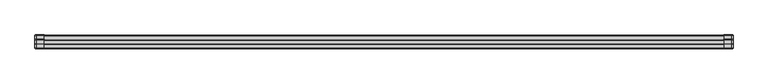
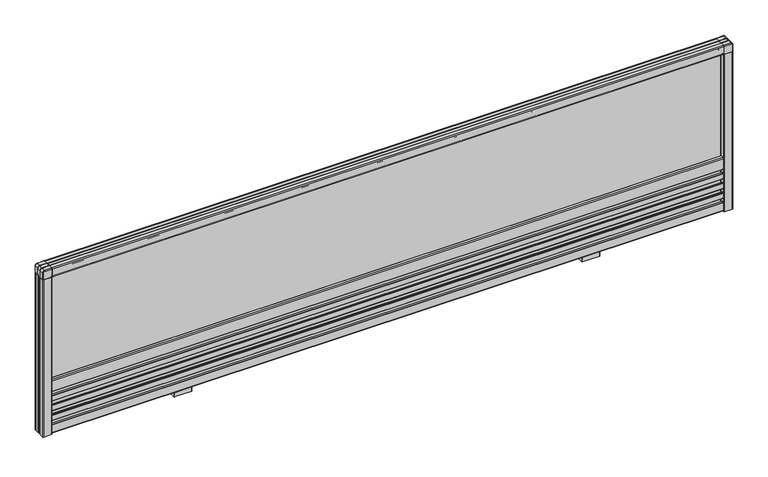
"""IFC4 building model written with IfcOpenShell, lengths in millimetres: furniture geometry."""

from ifc_helpers import new_model, si_unit, point, frame, frame_2d, origin, place, context, project, spatial, polyline, circle_curve, ellipse_curve, trimmed, segment, composite_curve, outline, extrude, source, transform, mapped, element, save
from ifc_brep_helpers import plane_surface, cylinder_surface, revolved_surface, extruded_surface, advanced_brep


def furniture_80a1519e(model_context):
    return source(origin(), model_context, "Body", "SolidModel", [
        extrude(outline(composite_curve([segment(polyline([(-3.25, 377.0), (-12.65, 377.0)]), True, "CONTINUOUS"), segment(trimmed(circle_curve(frame_2d((-12.65, 377.5)), 0.5), [point((-12.65, 377.0))], [point((-13.15, 377.5))], False, "CARTESIAN"), True, "CONTINUOUS"), segment(polyline([(-13.15, 377.5), (-13.15, 383.995804), (13.15, 383.995804), (13.15, 377.5)]), True, "CONTINUOUS"), segment(trimmed(circle_curve(frame_2d((12.65, 377.5)), 0.5), [point((13.15, 377.5))], [point((12.65, 377.0))], False, "CARTESIAN"), True, "CONTINUOUS"), segment(polyline([(12.65, 377.0), (3.25, 377.0)]), True, "CONTINUOUS"), segment(trimmed(circle_curve(frame_2d((3.25, 377.5)), 0.5), [point((3.25, 377.0))], [point((2.75, 377.5))], False, "CARTESIAN"), True, "CONTINUOUS"), segment(polyline([(2.75, 377.5), (2.75, 382.495804), (-2.75, 382.495804), (-2.75, 377.5)]), True, "CONTINUOUS"), segment(trimmed(circle_curve(frame_2d((-3.25, 377.5)), 0.5), [point((-2.75, 377.5))], [point((-3.25, 377.0))], False, "CARTESIAN"), True, "CONTINUOUS")], self_intersect=False)), frame((-741.0, 0.0, 0.0), z_axis=(1.0, 0.0, 0.0), x_axis=(0.0, 1.0, 0.0)), (0.0, 0.0, 1.0), 1482.0),
        extrude(outline(composite_curve([segment(trimmed(circle_curve(frame_2d((-13.0, 395.0)), 2.0), [point((-15.0, 395.0))], [point((-13.0, 397.0))], False, "CARTESIAN"), True, "CONTINUOUS"), segment(polyline([(-13.0, 397.0), (-5.2141428, 397.0)]), True, "CONTINUOUS"), segment(trimmed(circle_curve(frame_2d((-4.5, 397.7)), 1.0), [point((-5.2141428, 397.0))], [point((-3.7858572, 397.0))], True, "CARTESIAN"), True, "CONTINUOUS"), segment(polyline([(-3.7858572, 397.0), (3.7858572, 397.0)]), True, "CONTINUOUS"), segment(trimmed(circle_curve(frame_2d((4.5, 397.7)), 1.0), [point((3.7858572, 397.0))], [point((5.2141428, 397.0))], True, "CARTESIAN"), True, "CONTINUOUS"), segment(polyline([(5.2141428, 397.0), (13.0, 397.0)]), True, "CONTINUOUS"), segment(trimmed(circle_curve(frame_2d((13.0, 395.0)), 2.0), [point((13.0, 397.0))], [point((15.0, 395.0))], False, "CARTESIAN"), True, "CONTINUOUS"), segment(polyline([(15.0, 395.0), (15.0, 377.5)]), True, "CONTINUOUS"), segment(trimmed(circle_curve(frame_2d((14.5, 377.5)), 0.5), [point((15.0, 377.5))], [point((14.5, 377.0))], False, "CARTESIAN"), True, "CONTINUOUS"), segment(polyline([(14.5, 377.0), (13.15, 377.0), (13.15, 383.995804), (-13.15, 383.995804), (-13.15, 377.0), (-14.5, 377.0)]), True, "CONTINUOUS"), segment(trimmed(circle_curve(frame_2d((-14.5, 377.5)), 0.5), [point((-14.5, 377.0))], [point((-15.0, 377.5))], False, "CARTESIAN"), True, "CONTINUOUS"), segment(polyline([(-15.0, 377.5), (-15.0, 395.0)]), True, "CONTINUOUS")], self_intersect=False)), frame((-741.0, 0.0, 0.0), z_axis=(1.0, 0.0, 0.0), x_axis=(0.0, 1.0, 0.0)), (0.0, 0.0, 1.0), 1482.0),
        extrude(outline(composite_curve([segment(trimmed(circle_curve(frame_2d((-12.0, 30.0)), 1.0), [point((-13.0, 30.0))], [point((-12.0, 31.0))], False, "CARTESIAN"), True, "CONTINUOUS"), segment(polyline([(-12.0, 31.0), (-9.2004126, 31.0), (-9.2004126, 25.0), (-1.7500068, 25.0), (-1.7500068, 46.0), (-9.2004126, 46.0), (-9.2004126, 40.0), (-12.0, 40.0)]), True, "CONTINUOUS"), segment(trimmed(circle_curve(frame_2d((-12.0, 41.0)), 1.0), [point((-12.0, 40.0))], [point((-13.0, 41.0))], False, "CARTESIAN"), True, "CONTINUOUS"), segment(polyline([(-13.0, 41.0), (-13.0, 52.5)]), True, "CONTINUOUS"), segment(trimmed(circle_curve(frame_2d((-12.0, 52.5)), 1.0), [point((-13.0, 52.5))], [point((-12.0, 53.5))], False, "CARTESIAN"), True, "CONTINUOUS"), segment(polyline([(-12.0, 53.5), (-9.2004126, 53.5), (-9.2004126, 47.5), (-1.7500068, 47.5), (-1.7500068, 68.5), (-9.2004126, 68.5), (-9.2004126, 62.5), (-12.0, 62.5)]), True, "CONTINUOUS"), segment(trimmed(circle_curve(frame_2d((-12.0, 63.5)), 1.0), [point((-12.0, 62.5))], [point((-13.0, 63.5))], False, "CARTESIAN"), True, "CONTINUOUS"), segment(polyline([(-13.0, 63.5), (-13.0, 75.0)]), True, "CONTINUOUS"), segment(trimmed(circle_curve(frame_2d((-12.0, 75.0)), 1.0), [point((-13.0, 75.0))], [point((-12.0, 76.0))], False, "CARTESIAN"), True, "CONTINUOUS"), segment(polyline([(-12.0, 76.0), (-9.2004126, 76.0), (-9.2004126, 70.0), (-1.7500068, 70.0), (-1.7500068, 91.0), (-9.2004126, 91.0), (-9.2004126, 85.0), (-12.0, 85.0)]), True, "CONTINUOUS"), segment(trimmed(circle_curve(frame_2d((-12.0, 86.0)), 1.0), [point((-12.0, 85.0))], [point((-13.0, 86.0))], False, "CARTESIAN"), True, "CONTINUOUS"), segment(polyline([(-13.0, 86.0), (-13.0, 97.5)]), True, "CONTINUOUS"), segment(trimmed(circle_curve(frame_2d((-12.0, 97.5)), 1.0), [point((-13.0, 97.5))], [point((-12.0, 98.5))], False, "CARTESIAN"), True, "CONTINUOUS"), segment(polyline([(-12.0, 98.5), (-9.2004126, 98.5), (-9.2004126, 92.5), (-1.7500068, 92.5), (-1.7500068, 113.5), (-9.2004126, 113.5), (-9.2004126, 107.5), (-12.0, 107.5)]), True, "CONTINUOUS"), segment(trimmed(circle_curve(frame_2d((-12.0, 108.5)), 1.0), [point((-12.0, 107.5))], [point((-13.0, 108.5))], False, "CARTESIAN"), True, "CONTINUOUS"), segment(polyline([(-13.0, 108.5), (-13.0, 133.0)]), True, "CONTINUOUS"), segment(trimmed(circle_curve(frame_2d((-11.0, 133.0)), 2.0), [point((-13.0, 133.0))], [point((-11.0, 135.0))], False, "CARTESIAN"), True, "CONTINUOUS"), segment(polyline([(-11.0, 135.0), (-6.0, 135.0)]), True, "CONTINUOUS"), segment(trimmed(circle_curve(frame_2d((-6.0, 134.5)), 0.5), [point((-6.0, 135.0))], [point((-5.5, 134.5))], False, "CARTESIAN"), True, "CONTINUOUS"), segment(polyline([(-5.5, 134.5), (-5.5, 115.0), (0.0, 115.0), (5.5, 115.0), (5.5, 134.5)]), True, "CONTINUOUS"), segment(trimmed(circle_curve(frame_2d((6.0, 134.5)), 0.5), [point((5.5, 134.5))], [point((6.0, 135.0))], False, "CARTESIAN"), True, "CONTINUOUS"), segment(polyline([(6.0, 135.0), (11.0, 135.0)]), True, "CONTINUOUS"), segment(trimmed(circle_curve(frame_2d((11.0, 133.0)), 2.0), [point((11.0, 135.0))], [point((13.0, 133.0))], False, "CARTESIAN"), True, "CONTINUOUS"), segment(polyline([(13.0, 133.0), (13.0, 108.5)]), True, "CONTINUOUS"), segment(trimmed(circle_curve(frame_2d((12.0, 108.5)), 1.0), [point((13.0, 108.5))], [point((12.0, 107.5))], False, "CARTESIAN"), True, "CONTINUOUS"), segment(polyline([(12.0, 107.5), (9.2004126, 107.5), (9.2004126, 113.5), (1.7500068, 113.5), (1.7500068, 92.5), (9.2004126, 92.5), (9.2004126, 98.5), (12.0, 98.5)]), True, "CONTINUOUS"), segment(trimmed(circle_curve(frame_2d((12.0, 97.5)), 1.0), [point((12.0, 98.5))], [point((13.0, 97.5))], False, "CARTESIAN"), True, "CONTINUOUS"), segment(polyline([(13.0, 97.5), (13.0, 86.0)]), True, "CONTINUOUS"), segment(trimmed(circle_curve(frame_2d((12.0, 86.0)), 1.0), [point((13.0, 86.0))], [point((12.0, 85.0))], False, "CARTESIAN"), True, "CONTINUOUS"), segment(polyline([(12.0, 85.0), (9.2004126, 85.0), (9.2004126, 91.0), (1.7500068, 91.0), (1.7500068, 70.0), (9.2004126, 70.0), (9.2004126, 76.0), (12.0, 76.0)]), True, "CONTINUOUS"), segment(trimmed(circle_curve(frame_2d((12.0, 75.0)), 1.0), [point((12.0, 76.0))], [point((13.0, 75.0))], False, "CARTESIAN"), True, "CONTINUOUS"), segment(polyline([(13.0, 75.0), (13.0, 63.5)]), True, "CONTINUOUS"), segment(trimmed(circle_curve(frame_2d((12.0, 63.5)), 1.0), [point((13.0, 63.5))], [point((12.0, 62.5))], False, "CARTESIAN"), True, "CONTINUOUS"), segment(polyline([(12.0, 62.5), (9.2004126, 62.5), (9.2004126, 68.5), (1.7500068, 68.5), (1.7500068, 47.5), (9.2004126, 47.5), (9.2004126, 53.5), (12.0, 53.5)]), True, "CONTINUOUS"), segment(trimmed(circle_curve(frame_2d((12.0, 52.5)), 1.0), [point((12.0, 53.5))], [point((13.0, 52.5))], False, "CARTESIAN"), True, "CONTINUOUS"), segment(polyline([(13.0, 52.5), (13.0, 41.0)]), True, "CONTINUOUS"), segment(trimmed(circle_curve(frame_2d((12.0, 41.0)), 1.0), [point((13.0, 41.0))], [point((12.0, 40.0))], False, "CARTESIAN"), True, "CONTINUOUS"), segment(polyline([(12.0, 40.0), (9.2004126, 40.0), (9.2004126, 46.0), (1.7500068, 46.0), (1.7500068, 25.0), (9.2004126, 25.0), (9.2004126, 31.0), (12.0, 31.0)]), True, "CONTINUOUS"), segment(trimmed(circle_curve(frame_2d((12.0, 30.0)), 1.0), [point((12.0, 31.0))], [point((13.0, 30.0))], False, "CARTESIAN"), True, "CONTINUOUS"), segment(polyline([(13.0, 30.0), (13.0, 12.0)]), True, "CONTINUOUS"), segment(trimmed(circle_curve(frame_2d((11.0, 12.0)), 2.0), [point((13.0, 12.0))], [point((11.0, 10.0))], False, "CARTESIAN"), True, "CONTINUOUS"), segment(polyline([(11.0, 10.0), (0.0, 10.0), (-11.0, 10.0)]), True, "CONTINUOUS"), segment(trimmed(circle_curve(frame_2d((-11.0, 12.0)), 2.0), [point((-11.0, 10.0))], [point((-13.0, 12.0))], False, "CARTESIAN"), True, "CONTINUOUS"), segment(polyline([(-13.0, 12.0), (-13.0, 30.0)]), True, "CONTINUOUS")], self_intersect=False)), frame((-741.0, 0.0, 0.0), z_axis=(1.0, 0.0, 0.0), x_axis=(0.0, 1.0, 0.0)), (0.0, 0.0, 1.0), 1482.0),
        extrude(outline(composite_curve([segment(polyline([(741.5, 13.15), (748.0, 13.15), (748.0, -13.15), (741.5, -13.15)]), True, "CONTINUOUS"), segment(trimmed(circle_curve(frame_2d((741.5, -12.65)), 0.5), [point((741.5, -13.15))], [point((741.0, -12.65))], False, "CARTESIAN"), True, "CONTINUOUS"), segment(polyline([(741.0, -12.65), (741.0, -3.25)]), True, "CONTINUOUS"), segment(trimmed(circle_curve(frame_2d((741.5, -3.25)), 0.5), [point((741.0, -3.25))], [point((741.5, -2.75))], False, "CARTESIAN"), True, "CONTINUOUS"), segment(polyline([(741.5, -2.75), (746.5, -2.75), (746.5, 2.75), (741.5, 2.75)]), True, "CONTINUOUS"), segment(trimmed(circle_curve(frame_2d((741.5, 3.25)), 0.5), [point((741.5, 2.75))], [point((741.0, 3.25))], False, "CARTESIAN"), True, "CONTINUOUS"), segment(polyline([(741.0, 3.25), (741.0, 12.65)]), True, "CONTINUOUS"), segment(trimmed(circle_curve(frame_2d((741.5, 12.65)), 0.5), [point((741.0, 12.65))], [point((741.5, 13.15))], False, "CARTESIAN"), True, "CONTINUOUS")], self_intersect=False)), frame((0.0, 0.0, 10.0), z_axis=(0.0, 0.0, 1.0), x_axis=(1.0, 0.0, 0.0)), (0.0, 0.0, 1.0), 367.0),
        extrude(outline(composite_curve([segment(polyline([(761.0, 3.7858572), (761.0, 0.0), (761.0, -3.7858572)]), True, "CONTINUOUS"), segment(trimmed(circle_curve(frame_2d((761.7, -4.5)), 1.0), [point((761.0, -3.7858572))], [point((761.0, -5.2141428))], True, "CARTESIAN"), True, "CONTINUOUS"), segment(polyline([(761.0, -5.2141428), (761.0, -13.0)]), True, "CONTINUOUS"), segment(trimmed(circle_curve(frame_2d((759.0, -13.0)), 2.0), [point((761.0, -13.0))], [point((759.0, -15.0))], False, "CARTESIAN"), True, "CONTINUOUS"), segment(polyline([(759.0, -15.0), (741.5, -15.0)]), True, "CONTINUOUS"), segment(trimmed(circle_curve(frame_2d((741.5, -14.5)), 0.5), [point((741.5, -15.0))], [point((741.0, -14.5))], False, "CARTESIAN"), True, "CONTINUOUS"), segment(polyline([(741.0, -14.5), (741.0, -13.15), (748.0, -13.15), (748.0, 0.0), (748.0, 13.15), (741.0, 13.15), (741.0, 14.5)]), True, "CONTINUOUS"), segment(trimmed(circle_curve(frame_2d((741.5, 14.5)), 0.5), [point((741.0, 14.5))], [point((741.5, 15.0))], False, "CARTESIAN"), True, "CONTINUOUS"), segment(polyline([(741.5, 15.0), (759.0, 15.0)]), True, "CONTINUOUS"), segment(trimmed(circle_curve(frame_2d((759.0, 13.0)), 2.0), [point((759.0, 15.0))], [point((761.0, 13.0))], False, "CARTESIAN"), True, "CONTINUOUS"), segment(polyline([(761.0, 13.0), (761.0, 5.2141428)]), True, "CONTINUOUS"), segment(trimmed(circle_curve(frame_2d((761.7, 4.5)), 1.0), [point((761.0, 5.2141428))], [point((761.0, 3.7858572))], True, "CARTESIAN"), True, "CONTINUOUS")], self_intersect=False)), frame((0.0, 0.0, 10.0), z_axis=(0.0, 0.0, 1.0), x_axis=(1.0, 0.0, 0.0)), (0.0, 0.0, 1.0), 367.0),
        extrude(outline(composite_curve([segment(polyline([(-741.5, -13.15), (-748.0, -13.15), (-748.0, 13.15), (-741.5, 13.15)]), True, "CONTINUOUS"), segment(trimmed(circle_curve(frame_2d((-741.5, 12.65)), 0.5), [point((-741.5, 13.15))], [point((-741.0, 12.65))], False, "CARTESIAN"), True, "CONTINUOUS"), segment(polyline([(-741.0, 12.65), (-741.0, 3.25)]), True, "CONTINUOUS"), segment(trimmed(circle_curve(frame_2d((-741.5, 3.25)), 0.5), [point((-741.0, 3.25))], [point((-741.5, 2.75))], False, "CARTESIAN"), True, "CONTINUOUS"), segment(polyline([(-741.5, 2.75), (-746.5, 2.75), (-746.5, -2.75), (-741.5, -2.75)]), True, "CONTINUOUS"), segment(trimmed(circle_curve(frame_2d((-741.5, -3.25)), 0.5), [point((-741.5, -2.75))], [point((-741.0, -3.25))], False, "CARTESIAN"), True, "CONTINUOUS"), segment(polyline([(-741.0, -3.25), (-741.0, -12.65)]), True, "CONTINUOUS"), segment(trimmed(circle_curve(frame_2d((-741.5, -12.65)), 0.5), [point((-741.0, -12.65))], [point((-741.5, -13.15))], False, "CARTESIAN"), True, "CONTINUOUS")], self_intersect=False)), frame((0.0, 0.0, 10.0), z_axis=(0.0, 0.0, 1.0), x_axis=(1.0, 0.0, 0.0)), (0.0, 0.0, 1.0), 367.0),
        extrude(outline(composite_curve([segment(polyline([(-761.0, -3.7858572), (-761.0, 0.0), (-761.0, 3.7858572)]), True, "CONTINUOUS"), segment(trimmed(circle_curve(frame_2d((-761.7, 4.5)), 1.0), [point((-761.0, 3.7858572))], [point((-761.0, 5.2141428))], True, "CARTESIAN"), True, "CONTINUOUS"), segment(polyline([(-761.0, 5.2141428), (-761.0, 13.0)]), True, "CONTINUOUS"), segment(trimmed(circle_curve(frame_2d((-759.0, 13.0)), 2.0), [point((-761.0, 13.0))], [point((-759.0, 15.0))], False, "CARTESIAN"), True, "CONTINUOUS"), segment(polyline([(-759.0, 15.0), (-741.5, 15.0)]), True, "CONTINUOUS"), segment(trimmed(circle_curve(frame_2d((-741.5, 14.5)), 0.5), [point((-741.5, 15.0))], [point((-741.0, 14.5))], False, "CARTESIAN"), True, "CONTINUOUS"), segment(polyline([(-741.0, 14.5), (-741.0, 13.15), (-748.0, 13.15), (-748.0, 0.0), (-748.0, -13.15), (-741.0, -13.15), (-741.0, -14.5)]), True, "CONTINUOUS"), segment(trimmed(circle_curve(frame_2d((-741.5, -14.5)), 0.5), [point((-741.0, -14.5))], [point((-741.5, -15.0))], False, "CARTESIAN"), True, "CONTINUOUS"), segment(polyline([(-741.5, -15.0), (-759.0, -15.0)]), True, "CONTINUOUS"), segment(trimmed(circle_curve(frame_2d((-759.0, -13.0)), 2.0), [point((-759.0, -15.0))], [point((-761.0, -13.0))], False, "CARTESIAN"), True, "CONTINUOUS"), segment(polyline([(-761.0, -13.0), (-761.0, -5.2141428)]), True, "CONTINUOUS"), segment(trimmed(circle_curve(frame_2d((-761.7, -4.5)), 1.0), [point((-761.0, -5.2141428))], [point((-761.0, -3.7858572))], True, "CARTESIAN"), True, "CONTINUOUS")], self_intersect=False)), frame((0.0, 0.0, 10.0), z_axis=(0.0, 0.0, 1.0), x_axis=(1.0, 0.0, 0.0)), (0.0, 0.0, 1.0), 367.0),
        advanced_brep(
        [(759.25, -15.25, 377.0), (759.25, -15.25, 393.0), (757.0, -15.25, 395.25), (741.0, -15.25, 395.25), (741.0, -15.25, 377.0), (741.0, 15.25, 395.25), (757.0, 15.25, 395.25), (759.25, 15.25, 393.0), (759.25, 15.25, 377.0), (741.0, 15.25, 377.0), (741.0, 3.75, 397.25), (741.0, -3.75, 397.25), (757.0, -3.75, 397.25), (757.0, 3.75, 397.25), (741.0, -5.25, 397.25), (741.0, -13.25, 397.25), (757.0, -13.25, 397.25), (757.0, -5.25, 397.25), (757.0, 5.25, 397.25), (757.0, 13.25, 397.25), (741.0, 13.25, 397.25), (741.0, 5.25, 397.25), (761.25, -3.75, 393.0), (761.25, 3.75, 393.0), (761.25, -13.25, 393.0), (761.25, -5.25, 393.0), (761.25, 5.25, 393.0), (761.25, 13.25, 393.0), (761.25, -3.75, 377.0), (761.25, 3.75, 377.0), (761.25, -13.25, 377.0), (761.25, -5.25, 377.0), (761.25, 5.25, 377.0), (761.25, 13.25, 377.0)],
        [
            (0, 1),
            (1, 2, circle_curve(frame((757.0, -15.25, 393.0), z_axis=(0.0, -1.0, 0.0), x_axis=(1.0, 0.0, 0.0)), 2.25)),
            (2, 3),
            (3, 4),
            (4, 0),
            (5, 6),
            (6, 7, circle_curve(frame((757.0, 15.25, 393.0), z_axis=(0.0, 1.0, 0.0), x_axis=(1.0, 0.0, 0.0)), 2.25)),
            (7, 8),
            (8, 9),
            (9, 5),
            (10, 11),
            (11, 12),
            (12, 13),
            (13, 10),
            (14, 15),
            (15, 16),
            (16, 17),
            (17, 14),
            (18, 19),
            (19, 20),
            (20, 21),
            (21, 18),
            (12, 22, circle_curve(frame((757.0, -3.75, 393.0), z_axis=(0.0, 1.0, 0.0), x_axis=(-1.0, 0.0, 0.0)), 4.25)),
            (22, 23),
            (23, 13, circle_curve(frame((757.0, 3.75, 393.0), z_axis=(0.0, -1.0, 0.0), x_axis=(-1.0, 0.0, 0.0)), 4.25)),
            (16, 24, circle_curve(frame((757.0, -13.25, 393.0), z_axis=(0.0, 1.0, 0.0), x_axis=(-1.0, 0.0, 0.0)), 4.25)),
            (24, 25),
            (25, 17, circle_curve(frame((757.0, -5.25, 393.0), z_axis=(0.0, -1.0, 0.0), x_axis=(-1.0, 0.0, 0.0)), 4.25)),
            (26, 27),
            (27, 19, circle_curve(frame((757.0, 13.25, 393.0), z_axis=(0.0, -1.0, 0.0), x_axis=(-1.0, 0.0, 0.0)), 4.25)),
            (18, 26, circle_curve(frame((757.0, 5.25, 393.0), z_axis=(0.0, 1.0, 0.0), x_axis=(-1.0, 0.0, 0.0)), 4.25)),
            (22, 28),
            (28, 29),
            (29, 23),
            (24, 30),
            (30, 31),
            (31, 25),
            (32, 33),
            (33, 27),
            (26, 32),
            (8, 33, circle_curve(frame((759.25, 13.25, 377.0), z_axis=(0.0, 0.0, -1.0), x_axis=(0.0, -1.0, 0.0)), 2.0)),
            (32, 29, circle_curve(frame((761.9114378, 4.5, 377.0), z_axis=(0.0, 0.0, 1.0), x_axis=(0.0, 1.0, 0.0)), 1.0)),
            (28, 31, circle_curve(frame((761.9114378, -4.5, 377.0), z_axis=(0.0, 0.0, 1.0), x_axis=(0.0, 1.0, 0.0)), 1.0)),
            (30, 0, circle_curve(frame((759.25, -13.25, 377.0), z_axis=(0.0, 0.0, -1.0), x_axis=(0.0, 1.0, 0.0)), 2.0)),
            (4, 9),
            (3, 15, circle_curve(frame((741.0, -13.25, 395.25), z_axis=(-1.0, 0.0, 0.0), x_axis=(0.0, 1.0, 0.0)), 2.0)),
            (14, 11, circle_curve(frame((741.0, -4.5, 397.9114378), z_axis=(1.0, 0.0, 0.0), x_axis=(0.0, 1.0, 0.0)), 1.0)),
            (10, 21, circle_curve(frame((741.0, 4.5, 397.9114378), z_axis=(1.0, 0.0, 0.0), x_axis=(0.0, 1.0, 0.0)), 1.0)),
            (20, 5, circle_curve(frame((741.0, 13.25, 395.25), z_axis=(-1.0, 0.0, 0.0), x_axis=(0.0, -1.0, 0.0)), 2.0)),
            (26, 23, circle_curve(frame((761.9114378, 4.5, 393.0), z_axis=(0.0, 0.0, 1.0), x_axis=(0.0, 1.0, 0.0)), 1.0)),
            (18, 13, circle_curve(frame((757.0, 4.5, 397.9114378), z_axis=(-1.0, 0.0, 0.0), x_axis=(0.0, 1.0, 0.0)), 1.0)),
            (22, 25, circle_curve(frame((761.9114378, -4.5, 393.0), z_axis=(0.0, 0.0, 1.0), x_axis=(0.0, 1.0, 0.0)), 1.0)),
            (12, 17, circle_curve(frame((757.0, -4.5, 397.9114378), z_axis=(-1.0, 0.0, 0.0), x_axis=(0.0, 1.0, 0.0)), 1.0)),
            (24, 1, circle_curve(frame((759.25, -13.25, 393.0), z_axis=(0.0, 0.0, -1.0), x_axis=(0.0, 1.0, 0.0)), 2.0)),
            (16, 2, circle_curve(frame((757.0, -13.25, 395.25), z_axis=(1.0, 0.0, 0.0), x_axis=(0.0, 1.0, 0.0)), 2.0)),
            (7, 27, circle_curve(frame((759.25, 13.25, 393.0), z_axis=(0.0, 0.0, -1.0), x_axis=(0.0, -1.0, 0.0)), 2.0)),
            (6, 19, circle_curve(frame((757.0, 13.25, 395.25), z_axis=(1.0, 0.0, 0.0), x_axis=(0.0, -1.0, 0.0)), 2.0)),
        ],
        [
            plane_surface(frame((761.25, -15.25, 397.25), z_axis=(0.0, -1.0, 0.0), x_axis=(1.0, 0.0, 0.0))),
            plane_surface(frame((761.25, 15.25, 397.25), z_axis=(0.0, 1.0, 0.0), x_axis=(-1.0, 0.0, 0.0))),
            plane_surface(frame((741.0, -15.25, 397.25), z_axis=(0.0, 0.0, 1.0), x_axis=(0.0, 1.0, 0.0))),
            cylinder_surface(frame((757.0, 15.25, 393.0), z_axis=(0.0, -1.0, 0.0), x_axis=(-1.0, 0.0, 0.0)), 4.25),
            plane_surface(frame((761.25, -15.25, 393.0), z_axis=(1.0, 0.0, 0.0), x_axis=(0.0, 1.0, 0.0))),
            plane_surface(frame((761.25, -15.25, 377.0), z_axis=(0.0, 0.0, -1.0), x_axis=(0.0, 1.0, 0.0))),
            plane_surface(frame((741.0, -15.25, 377.0), z_axis=(-1.0, 0.0, 0.0), x_axis=(0.0, 1.0, 0.0))),
            revolved_surface(polyline([(761.9114378, 5.5, 377.0), (761.9114378, 5.5, 393.0)]), (761.9114378, 4.5, 377.0), (0.0, 0.0, -1.0)),
            revolved_surface(trimmed(ellipse_curve(frame((761.9114378, 4.5, 393.0), z_axis=(0.0, 0.0, -1.0), x_axis=(0.0, 1.0, 0.0)), 1.0, 1.0), [point((761.9505813, 3.5007664, 393.0))], [point((761.9505813, 5.4992336, 393.0))], True, "CARTESIAN"), (757.0, 4.5, 393.0), (0.0, 1.0, 0.0)),
            revolved_surface(polyline([(757.0, 5.5, 397.9114378), (741.0, 5.5, 397.9114378)]), (757.0, 4.5, 397.9114378), (1.0, 0.0, 0.0)),
            revolved_surface(polyline([(761.9114378, -3.5, 377.0), (761.9114378, -3.5, 393.0)]), (761.9114378, -4.5, 377.0), (0.0, 0.0, -1.0)),
            revolved_surface(trimmed(ellipse_curve(frame((761.9114378, -4.5, 393.0), z_axis=(0.0, 0.0, -1.0), x_axis=(0.0, 1.0, 0.0)), 1.0, 1.0), [point((761.9251148, -5.4999065, 393.0))], [point((761.9251148, -3.5000935, 393.0))], True, "CARTESIAN"), (757.0, -4.5, 393.0), (0.0, 1.0, 0.0)),
            revolved_surface(polyline([(757.0, -3.5, 397.9114378), (741.0, -3.5, 397.9114378)]), (757.0, -4.5, 397.9114378), (1.0, 0.0, 0.0)),
            cylinder_surface(frame((759.25, -13.25, 377.0), z_axis=(0.0, 0.0, 1.0), x_axis=(0.0, 1.0, 0.0)), 2.0),
            revolved_surface(trimmed(ellipse_curve(frame((759.25, -13.25, 393.0), z_axis=(0.0, 0.0, 1.0), x_axis=(0.0, 1.0, 0.0)), 2.0, 2.0), [point((759.25, -15.25, 393.0))], [point((761.25, -13.25, 393.0))], True, "CARTESIAN"), (757.0, -15.25, 393.0), (0.0, 1.0, 0.0)),
            cylinder_surface(frame((757.0, -13.25, 395.25), z_axis=(-1.0, 0.0, 0.0), x_axis=(0.0, 1.0, 0.0)), 2.0),
            cylinder_surface(frame((759.25, 13.25, 377.0), z_axis=(0.0, 0.0, 1.0), x_axis=(0.0, -1.0, 0.0)), 2.0),
            revolved_surface(trimmed(ellipse_curve(frame((759.25, 13.25, 393.0), z_axis=(0.0, 0.0, 1.0), x_axis=(0.0, -1.0, 0.0)), 2.0, 2.0), [point((761.25, 13.25, 393.0))], [point((759.25, 15.25, 393.0))], True, "CARTESIAN"), (757.0, 15.25, 393.0), (0.0, 1.0, 0.0)),
            cylinder_surface(frame((757.0, 13.25, 395.25), z_axis=(-1.0, 0.0, 0.0), x_axis=(0.0, -1.0, 0.0)), 2.0),
        ],
        [
            (0, [[1, 2, 3, 4, 5]]),
            (1, [[6, 7, 8, 9, 10]]),
            (2, [[11, 12, 13, 14]]),
            (2, [[15, 16, 17, 18]]),
            (2, [[19, 20, 21, 22]]),
            (3, [[-13, 23, 24, 25]]),
            (3, [[-17, 26, 27, 28]]),
            (3, [[29, 30, -19, 31]]),
            (4, [[-24, 32, 33, 34]]),
            (4, [[-27, 35, 36, 37]]),
            (4, [[38, 39, -29, 40]]),
            (5, [[-9, 41, -38, 42, -33, 43, -36, 44, -5, 45]]),
            (6, [[-4, 46, -15, 47, -11, 48, -21, 49, -10, -45]]),
            (7, [[-34, -42, -40, 50]]),
            (8, [[-25, -50, -31, 51]]),
            (9, [[-22, -48, -14, -51]]),
            (10, [[-37, -43, -32, 52]]),
            (11, [[-28, -52, -23, 53]]),
            (12, [[-12, -47, -18, -53]]),
            (13, [[-1, -44, -35, 54]]),
            (14, [[-26, 55, -2, -54]]),
            (15, [[-16, -46, -3, -55]]),
            (16, [[-39, -41, -8, 56]]),
            (17, [[-7, 57, -30, -56]]),
            (18, [[-6, -49, -20, -57]]),
        ],
    ),
        advanced_brep(
        [(-759.25, -15.25, 377.0), (-741.0, -15.25, 377.0), (-741.0, -15.25, 395.25), (-757.0, -15.25, 395.25), (-759.25, -15.25, 393.0), (-741.0, 15.25, 395.25), (-741.0, 15.25, 377.0), (-759.25, 15.25, 377.0), (-759.25, 15.25, 393.0), (-757.0, 15.25, 395.25), (-757.0, 5.25, 397.25), (-741.0, 5.25, 397.25), (-741.0, 13.25, 397.25), (-757.0, 13.25, 397.25), (-741.0, 3.75, 397.25), (-757.0, 3.75, 397.25), (-757.0, -3.75, 397.25), (-741.0, -3.75, 397.25), (-741.0, -5.25, 397.25), (-757.0, -5.25, 397.25), (-757.0, -13.25, 397.25), (-741.0, -13.25, 397.25), (-761.25, 3.75, 393.0), (-761.25, -3.75, 393.0), (-761.25, 5.25, 393.0), (-761.25, 13.25, 393.0), (-761.25, -5.25, 393.0), (-761.25, -13.25, 393.0), (-761.25, 3.75, 377.0), (-761.25, -3.75, 377.0), (-761.25, 5.25, 377.0), (-761.25, 13.25, 377.0), (-761.25, -5.25, 377.0), (-761.25, -13.25, 377.0)],
        [
            (0, 1),
            (1, 2),
            (2, 3),
            (3, 4, circle_curve(frame((-757.0, -15.25, 393.0), z_axis=(0.0, -1.0, 0.0), x_axis=(-1.0, 0.0, 0.0)), 2.25)),
            (4, 0),
            (5, 6),
            (6, 7),
            (7, 8),
            (8, 9, circle_curve(frame((-757.0, 15.25, 393.0), z_axis=(0.0, 1.0, 0.0), x_axis=(-1.0, 0.0, 0.0)), 2.25)),
            (9, 5),
            (10, 11),
            (11, 12),
            (12, 13),
            (13, 10),
            (14, 15),
            (15, 16),
            (16, 17),
            (17, 14),
            (18, 19),
            (19, 20),
            (20, 21),
            (21, 18),
            (15, 22, circle_curve(frame((-757.0, 3.75, 393.0), z_axis=(0.0, -1.0, 0.0), x_axis=(1.0, 0.0, 0.0)), 4.25)),
            (22, 23),
            (23, 16, circle_curve(frame((-757.0, -3.75, 393.0), z_axis=(0.0, 1.0, 0.0), x_axis=(1.0, 0.0, 0.0)), 4.25)),
            (24, 10, circle_curve(frame((-757.0, 5.25, 393.0), z_axis=(0.0, 1.0, 0.0), x_axis=(1.0, 0.0, 0.0)), 4.25)),
            (13, 25, circle_curve(frame((-757.0, 13.25, 393.0), z_axis=(0.0, -1.0, 0.0), x_axis=(1.0, 0.0, 0.0)), 4.25)),
            (25, 24),
            (19, 26, circle_curve(frame((-757.0, -5.25, 393.0), z_axis=(0.0, -1.0, 0.0), x_axis=(1.0, 0.0, 0.0)), 4.25)),
            (26, 27),
            (27, 20, circle_curve(frame((-757.0, -13.25, 393.0), z_axis=(0.0, 1.0, 0.0), x_axis=(1.0, 0.0, 0.0)), 4.25)),
            (22, 28),
            (28, 29),
            (29, 23),
            (30, 24),
            (25, 31),
            (31, 30),
            (26, 32),
            (32, 33),
            (33, 27),
            (6, 1),
            (0, 33, circle_curve(frame((-759.25, -13.25, 377.0), z_axis=(0.0, 0.0, -1.0), x_axis=(0.0, 1.0, 0.0)), 2.0)),
            (32, 29, circle_curve(frame((-761.9114378, -4.5, 377.0), z_axis=(0.0, 0.0, 1.0), x_axis=(0.0, 1.0, 0.0)), 1.0)),
            (28, 30, circle_curve(frame((-761.9114378, 4.5, 377.0), z_axis=(0.0, 0.0, 1.0), x_axis=(0.0, 1.0, 0.0)), 1.0)),
            (31, 7, circle_curve(frame((-759.25, 13.25, 377.0), z_axis=(0.0, 0.0, -1.0), x_axis=(0.0, -1.0, 0.0)), 2.0)),
            (5, 12, circle_curve(frame((-741.0, 13.25, 395.25), z_axis=(1.0, 0.0, 0.0), x_axis=(0.0, -1.0, 0.0)), 2.0)),
            (11, 14, circle_curve(frame((-741.0, 4.5, 397.9114378), z_axis=(-1.0, 0.0, 0.0), x_axis=(0.0, 1.0, 0.0)), 1.0)),
            (17, 18, circle_curve(frame((-741.0, -4.5, 397.9114378), z_axis=(-1.0, 0.0, 0.0), x_axis=(0.0, 1.0, 0.0)), 1.0)),
            (21, 2, circle_curve(frame((-741.0, -13.25, 395.25), z_axis=(1.0, 0.0, 0.0), x_axis=(0.0, 1.0, 0.0)), 2.0)),
            (22, 24, circle_curve(frame((-761.9114378, 4.5, 393.0), z_axis=(0.0, 0.0, 1.0), x_axis=(0.0, 1.0, 0.0)), 1.0)),
            (15, 10, circle_curve(frame((-757.0, 4.5, 397.9114378), z_axis=(1.0, 0.0, 0.0), x_axis=(0.0, 1.0, 0.0)), 1.0)),
            (26, 23, circle_curve(frame((-761.9114378, -4.5, 393.0), z_axis=(0.0, 0.0, 1.0), x_axis=(0.0, 1.0, 0.0)), 1.0)),
            (19, 16, circle_curve(frame((-757.0, -4.5, 397.9114378), z_axis=(1.0, 0.0, 0.0), x_axis=(0.0, 1.0, 0.0)), 1.0)),
            (4, 27, circle_curve(frame((-759.25, -13.25, 393.0), z_axis=(0.0, 0.0, -1.0), x_axis=(0.0, 1.0, 0.0)), 2.0)),
            (3, 20, circle_curve(frame((-757.0, -13.25, 395.25), z_axis=(-1.0, 0.0, 0.0), x_axis=(0.0, 1.0, 0.0)), 2.0)),
            (25, 8, circle_curve(frame((-759.25, 13.25, 393.0), z_axis=(0.0, 0.0, -1.0), x_axis=(0.0, -1.0, 0.0)), 2.0)),
            (13, 9, circle_curve(frame((-757.0, 13.25, 395.25), z_axis=(-1.0, 0.0, 0.0), x_axis=(0.0, -1.0, 0.0)), 2.0)),
        ],
        [
            plane_surface(frame((-761.25, -15.25, 397.25), z_axis=(0.0, -1.0, 0.0), x_axis=(-1.0, 0.0, 0.0))),
            plane_surface(frame((-761.25, 15.25, 397.25), z_axis=(0.0, 1.0, 0.0), x_axis=(1.0, 0.0, 0.0))),
            plane_surface(frame((-741.0, -15.25, 397.25), z_axis=(0.0, 0.0, 1.0), x_axis=(0.0, 1.0, 0.0))),
            cylinder_surface(frame((-757.0, 15.25, 393.0), z_axis=(0.0, -1.0, 0.0), x_axis=(1.0, 0.0, 0.0)), 4.25),
            plane_surface(frame((-761.25, -15.25, 393.0), z_axis=(-1.0, 0.0, 0.0), x_axis=(0.0, 1.0, 0.0))),
            plane_surface(frame((-761.25, -15.25, 377.0), z_axis=(0.0, 0.0, -1.0), x_axis=(0.0, 1.0, 0.0))),
            plane_surface(frame((-741.0, -15.25, 377.0), z_axis=(1.0, 0.0, 0.0), x_axis=(0.0, 1.0, 0.0))),
            revolved_surface(polyline([(-761.9114378, 5.5, 377.0), (-761.9114378, 5.5, 393.0)]), (-761.9114378, 4.5, 377.0), (0.0, 0.0, -1.0)),
            revolved_surface(trimmed(ellipse_curve(frame((-761.9114378, 4.5, 393.0), z_axis=(0.0, 0.0, 1.0), x_axis=(0.0, 1.0, 0.0)), 1.0, 1.0), [point((-761.9505813, 3.5007664, 393.0))], [point((-761.9505813, 5.4992336, 393.0))], True, "CARTESIAN"), (-757.0, 4.5, 393.0), (0.0, 1.0, 0.0)),
            revolved_surface(polyline([(-757.0, 5.5, 397.9114378), (-741.0, 5.5, 397.9114378)]), (-757.0, 4.5, 397.9114378), (-1.0, 0.0, 0.0)),
            revolved_surface(polyline([(-761.9114378, -3.5, 377.0), (-761.9114378, -3.5, 393.0)]), (-761.9114378, -4.5, 377.0), (0.0, 0.0, -1.0)),
            revolved_surface(trimmed(ellipse_curve(frame((-761.9114378, -4.5, 393.0), z_axis=(0.0, 0.0, 1.0), x_axis=(0.0, 1.0, 0.0)), 1.0, 1.0), [point((-761.9251148, -5.4999065, 393.0))], [point((-761.9251148, -3.5000935, 393.0))], True, "CARTESIAN"), (-757.0, -4.5, 393.0), (0.0, 1.0, 0.0)),
            revolved_surface(polyline([(-757.0, -3.5, 397.9114378), (-741.0, -3.5, 397.9114378)]), (-757.0, -4.5, 397.9114378), (-1.0, 0.0, 0.0)),
            cylinder_surface(frame((-759.25, -13.25, 377.0), z_axis=(0.0, 0.0, 1.0), x_axis=(0.0, 1.0, 0.0)), 2.0),
            revolved_surface(trimmed(ellipse_curve(frame((-759.25, -13.25, 393.0), z_axis=(0.0, 0.0, -1.0), x_axis=(0.0, 1.0, 0.0)), 2.0, 2.0), [point((-759.25, -15.25, 393.0))], [point((-761.25, -13.25, 393.0))], True, "CARTESIAN"), (-757.0, -15.25, 393.0), (0.0, 1.0, 0.0)),
            cylinder_surface(frame((-757.0, -13.25, 395.25), z_axis=(1.0, 0.0, 0.0), x_axis=(0.0, 1.0, 0.0)), 2.0),
            cylinder_surface(frame((-759.25, 13.25, 377.0), z_axis=(0.0, 0.0, 1.0), x_axis=(0.0, -1.0, 0.0)), 2.0),
            revolved_surface(trimmed(ellipse_curve(frame((-759.25, 13.25, 393.0), z_axis=(0.0, 0.0, -1.0), x_axis=(0.0, -1.0, 0.0)), 2.0, 2.0), [point((-761.25, 13.25, 393.0))], [point((-759.25, 15.25, 393.0))], True, "CARTESIAN"), (-757.0, 15.25, 393.0), (0.0, 1.0, 0.0)),
            cylinder_surface(frame((-757.0, 13.25, 395.25), z_axis=(1.0, 0.0, 0.0), x_axis=(0.0, -1.0, 0.0)), 2.0),
        ],
        [
            (0, [[1, 2, 3, 4, 5]]),
            (1, [[6, 7, 8, 9, 10]]),
            (2, [[11, 12, 13, 14]]),
            (2, [[15, 16, 17, 18]]),
            (2, [[19, 20, 21, 22]]),
            (3, [[23, 24, 25, -16]]),
            (3, [[26, -14, 27, 28]]),
            (3, [[29, 30, 31, -20]]),
            (4, [[32, 33, 34, -24]]),
            (4, [[35, -28, 36, 37]]),
            (4, [[38, 39, 40, -30]]),
            (5, [[41, -1, 42, -39, 43, -33, 44, -37, 45, -7]]),
            (6, [[-41, -6, 46, -12, 47, -18, 48, -22, 49, -2]]),
            (7, [[50, -35, -44, -32]]),
            (8, [[51, -26, -50, -23]]),
            (9, [[-51, -15, -47, -11]]),
            (10, [[52, -34, -43, -38]]),
            (11, [[53, -25, -52, -29]]),
            (12, [[-53, -19, -48, -17]]),
            (13, [[54, -40, -42, -5]]),
            (14, [[-54, -4, 55, -31]]),
            (15, [[-55, -3, -49, -21]]),
            (16, [[56, -8, -45, -36]]),
            (17, [[-56, -27, 57, -9]]),
            (18, [[-57, -13, -46, -10]]),
        ],
    ),
        advanced_brep(
        [(430.0, 10.849223, 0.0), (431.0, 11.849223, 0.0), (469.0, 11.849223, 0.0), (470.0, 10.849223, 0.0), (470.0, -10.849223, 0.0), (469.0, -11.849223, 0.0), (431.0, -11.849223, 0.0), (430.0, -10.849223, 0.0), (430.5, 10.5000153, 10.0), (430.5, -10.5000153, 10.0), (431.5, -11.5000153, 10.0), (468.5, -11.5000153, 10.0), (469.5, -10.5000153, 10.0), (469.5, 10.5000153, 10.0), (468.5, 11.5000153, 10.0), (431.5, 11.5000153, 10.0)],
        [
            (0, 1, circle_curve(frame((431.0, 10.849223, 0.0), z_axis=(0.0, 0.0, -1.0), x_axis=(0.0, 1.0, 0.0)), 1.0)),
            (1, 2),
            (2, 3, circle_curve(frame((469.0, 10.849223, 0.0), z_axis=(0.0, 0.0, -1.0), x_axis=(0.0, 1.0, 0.0)), 1.0)),
            (3, 4),
            (4, 5, circle_curve(frame((469.0, -10.849223, 0.0), z_axis=(0.0, 0.0, -1.0), x_axis=(0.0, 1.0, 0.0)), 1.0)),
            (5, 6),
            (6, 7, circle_curve(frame((431.0, -10.849223, 0.0), z_axis=(0.0, 0.0, -1.0), x_axis=(0.0, 1.0, 0.0)), 1.0)),
            (7, 0),
            (8, 9),
            (9, 10, circle_curve(frame((431.5, -10.5000153, 10.0), z_axis=(0.0, 0.0, 1.0), x_axis=(0.0, 1.0, 0.0)), 1.0)),
            (10, 11),
            (11, 12, circle_curve(frame((468.5, -10.5000153, 10.0), z_axis=(0.0, 0.0, 1.0), x_axis=(0.0, 1.0, 0.0)), 1.0)),
            (12, 13),
            (13, 14, circle_curve(frame((468.5, 10.5000153, 10.0), z_axis=(0.0, 0.0, 1.0), x_axis=(0.0, 1.0, 0.0)), 1.0)),
            (14, 15),
            (15, 8, circle_curve(frame((431.5, 10.5000153, 10.0), z_axis=(0.0, 0.0, 1.0), x_axis=(0.0, 1.0, 0.0)), 1.0)),
            (8, 0),
            (7, 9),
            (10, 6),
            (5, 11),
            (12, 4),
            (3, 13),
            (14, 2),
            (1, 15),
        ],
        [
            plane_surface(frame((450.0, 0.0, 0.0), z_axis=(0.0, 0.0, -1.0), x_axis=(0.0, -1.0, 0.0))),
            plane_surface(frame((450.0, 0.0, 10.0), z_axis=(0.0, 0.0, 1.0), x_axis=(0.0, -1.0, 0.0))),
            plane_surface(frame((430.5, 0.0, 10.0), z_axis=(-0.9987523388778482, 0.0, 0.04993761694382326), x_axis=(0.0, 1.0, 0.0))),
            plane_surface(frame((450.0, -11.5000153, 10.0), z_axis=(0.0, -0.9993908270190972, 0.034899496702462215), x_axis=(-1.0, 0.0, 0.0))),
            plane_surface(frame((469.5, 0.0, 10.0), z_axis=(0.9987523388778481, 0.0, 0.0499376169438241), x_axis=(0.0, -1.0, 0.0))),
            plane_surface(frame((450.0, 11.5000153, 10.0), z_axis=(0.0, 0.9993908270190972, 0.03489949670246137), x_axis=(1.0, 0.0, 0.0))),
            extruded_surface(trimmed(circle_curve(frame((431.5, 10.5000153, 10.0), z_axis=(0.0, 0.0, -1.0), x_axis=(0.0, 1.0, 0.0)), 1.0), [point((430.5, 10.5000153, 10.0))], [point((431.5, 11.5000153, 10.0))], True, "CARTESIAN"), (-0.5, 0.3492077000000009, -10.0), 10.018580039992658),
            extruded_surface(trimmed(circle_curve(frame((468.5, 10.5000153, 10.0), z_axis=(0.0, 0.0, -1.0), x_axis=(0.0, 1.0, 0.0)), 1.0), [point((468.5, 11.5000153, 10.0))], [point((469.5, 10.5000153, 10.0))], True, "CARTESIAN"), (0.5, 0.3492077000000009, -10.0), 10.018580039992658),
            extruded_surface(trimmed(circle_curve(frame((468.5, -10.5000153, 10.0), z_axis=(0.0, 0.0, -1.0), x_axis=(0.0, 1.0, 0.0)), 1.0), [point((469.5, -10.5000153, 10.0))], [point((468.5, -11.5000153, 10.0))], True, "CARTESIAN"), (0.5, -0.3492077000000009, -10.0), 10.018580039992658),
            extruded_surface(trimmed(circle_curve(frame((431.5, -10.5000153, 10.0), z_axis=(0.0, 0.0, -1.0), x_axis=(0.0, 1.0, 0.0)), 1.0), [point((431.5, -11.5000153, 10.0))], [point((430.5, -10.5000153, 10.0))], True, "CARTESIAN"), (-0.5, -0.3492077000000009, -10.0), 10.018580039992658),
        ],
        [
            (0, [[1, 2, 3, 4, 5, 6, 7, 8]]),
            (1, [[9, 10, 11, 12, 13, 14, 15, 16]]),
            (2, [[-9, 17, -8, 18]]),
            (3, [[-11, 19, -6, 20]]),
            (4, [[-13, 21, -4, 22]]),
            (5, [[-15, 23, -2, 24]]),
            (6, [[-16, -24, -1, -17]]),
            (7, [[-14, -22, -3, -23]]),
            (8, [[-12, -20, -5, -21]]),
            (9, [[-10, -18, -7, -19]]),
        ],
    ),
        advanced_brep(
        [(-470.0, 10.849223, 0.0), (-469.0, 11.849223, 0.0), (-431.0, 11.849223, 0.0), (-430.0, 10.849223, 0.0), (-430.0, -10.849223, 0.0), (-431.0, -11.849223, 0.0), (-469.0, -11.849223, 0.0), (-470.0, -10.849223, 0.0), (-469.5, 10.5000153, 10.0), (-469.5, -10.5000153, 10.0), (-468.5, -11.5000153, 10.0), (-431.5, -11.5000153, 10.0), (-430.5, -10.5000153, 10.0), (-430.5, 10.5000153, 10.0), (-431.5, 11.5000153, 10.0), (-468.5, 11.5000153, 10.0)],
        [
            (0, 1, circle_curve(frame((-469.0, 10.849223, 0.0), z_axis=(0.0, 0.0, -1.0), x_axis=(0.0, 1.0, 0.0)), 1.0)),
            (1, 2),
            (2, 3, circle_curve(frame((-431.0, 10.849223, 0.0), z_axis=(0.0, 0.0, -1.0), x_axis=(0.0, 1.0, 0.0)), 1.0)),
            (3, 4),
            (4, 5, circle_curve(frame((-431.0, -10.849223, 0.0), z_axis=(0.0, 0.0, -1.0), x_axis=(0.0, 1.0, 0.0)), 1.0)),
            (5, 6),
            (6, 7, circle_curve(frame((-469.0, -10.849223, 0.0), z_axis=(0.0, 0.0, -1.0), x_axis=(0.0, 1.0, 0.0)), 1.0)),
            (7, 0),
            (8, 9),
            (9, 10, circle_curve(frame((-468.5, -10.5000153, 10.0), z_axis=(0.0, 0.0, 1.0), x_axis=(0.0, 1.0, 0.0)), 1.0)),
            (10, 11),
            (11, 12, circle_curve(frame((-431.5, -10.5000153, 10.0), z_axis=(0.0, 0.0, 1.0), x_axis=(0.0, 1.0, 0.0)), 1.0)),
            (12, 13),
            (13, 14, circle_curve(frame((-431.5, 10.5000153, 10.0), z_axis=(0.0, 0.0, 1.0), x_axis=(0.0, 1.0, 0.0)), 1.0)),
            (14, 15),
            (15, 8, circle_curve(frame((-468.5, 10.5000153, 10.0), z_axis=(0.0, 0.0, 1.0), x_axis=(0.0, 1.0, 0.0)), 1.0)),
            (8, 0),
            (7, 9),
            (10, 6),
            (5, 11),
            (12, 4),
            (3, 13),
            (14, 2),
            (1, 15),
        ],
        [
            plane_surface(frame((-450.0, 0.0, 0.0), z_axis=(0.0, 0.0, -1.0), x_axis=(0.0, -1.0, 0.0))),
            plane_surface(frame((-450.0, 0.0, 10.0), z_axis=(0.0, 0.0, 1.0), x_axis=(0.0, -1.0, 0.0))),
            plane_surface(frame((-469.5, 0.0, 10.0), z_axis=(-0.9987523388778482, 0.0, 0.04993761694382326), x_axis=(0.0, 1.0, 0.0))),
            plane_surface(frame((-450.0, -11.5000153, 10.0), z_axis=(0.0, -0.9993908270190972, 0.034899496702462215), x_axis=(-1.0, 0.0, 0.0))),
            plane_surface(frame((-430.5, 0.0, 10.0), z_axis=(0.9987523388778481, 0.0, 0.0499376169438241), x_axis=(0.0, -1.0, 0.0))),
            plane_surface(frame((-450.0, 11.5000153, 10.0), z_axis=(0.0, 0.9993908270190972, 0.03489949670246137), x_axis=(1.0, 0.0, 0.0))),
            extruded_surface(trimmed(circle_curve(frame((-468.5, 10.5000153, 10.0), z_axis=(0.0, 0.0, -1.0), x_axis=(0.0, 1.0, 0.0)), 1.0), [point((-469.5, 10.5000153, 10.0))], [point((-468.5, 11.5000153, 10.0))], True, "CARTESIAN"), (-0.5, 0.3492077000000009, -10.0), 10.018580039992658),
            extruded_surface(trimmed(circle_curve(frame((-431.5, 10.5000153, 10.0), z_axis=(0.0, 0.0, -1.0), x_axis=(0.0, 1.0, 0.0)), 1.0), [point((-431.5, 11.5000153, 10.0))], [point((-430.5, 10.5000153, 10.0))], True, "CARTESIAN"), (0.5, 0.3492077000000009, -10.0), 10.018580039992658),
            extruded_surface(trimmed(circle_curve(frame((-431.5, -10.5000153, 10.0), z_axis=(0.0, 0.0, -1.0), x_axis=(0.0, 1.0, 0.0)), 1.0), [point((-430.5, -10.5000153, 10.0))], [point((-431.5, -11.5000153, 10.0))], True, "CARTESIAN"), (0.5, -0.3492077000000009, -10.0), 10.018580039992658),
            extruded_surface(trimmed(circle_curve(frame((-468.5, -10.5000153, 10.0), z_axis=(0.0, 0.0, -1.0), x_axis=(0.0, 1.0, 0.0)), 1.0), [point((-468.5, -11.5000153, 10.0))], [point((-469.5, -10.5000153, 10.0))], True, "CARTESIAN"), (-0.5, -0.3492077000000009, -10.0), 10.018580039992658),
        ],
        [
            (0, [[1, 2, 3, 4, 5, 6, 7, 8]]),
            (1, [[9, 10, 11, 12, 13, 14, 15, 16]]),
            (2, [[-9, 17, -8, 18]]),
            (3, [[-11, 19, -6, 20]]),
            (4, [[-13, 21, -4, 22]]),
            (5, [[-15, 23, -2, 24]]),
            (6, [[-16, -24, -1, -17]]),
            (7, [[-14, -22, -3, -23]]),
            (8, [[-12, -20, -5, -21]]),
            (9, [[-10, -18, -7, -19]]),
        ],
    ),
        extrude(outline(polyline([(746.5, 2.5), (746.5, -2.5), (-746.5, -2.5), (-746.5, 2.5), (746.5, 2.5)])), frame((0.0, 0.0, 115.0), z_axis=(0.0, 0.0, 1.0), x_axis=(1.0, 0.0, 0.0)), (0.0, 0.0, 1.0), 267.495804),
    ])


if __name__ == "__main__":
    model = new_model("IFC4")
    model_context = context("Model", 3, world=origin())
    ifc_project = project(units=[si_unit("LENGTHUNIT", "METRE", prefix="MILLI")], contexts=[model_context])
    site = spatial("IfcSite", under=ifc_project)
    building = spatial("IfcBuilding", under=site)
    placement = place(None, origin())
    furniture_shape = furniture_80a1519e(model_context)
    element("IfcFurniture", 1, at=placement, inside=building, context=model_context, shape_type="MappedRepresentation", body=[
        mapped(furniture_shape, transform((0.0, 0.0, 0.0), x_axis=(1.0, 0.0, 0.0), y_axis=(0.0, 1.0, 0.0), z_axis=(0.0, 0.0, 1.0))),
    ])
    save(model, "model.ifc")
